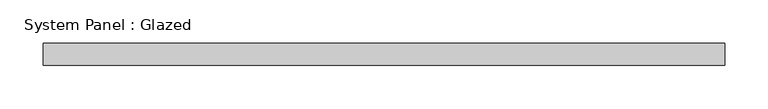
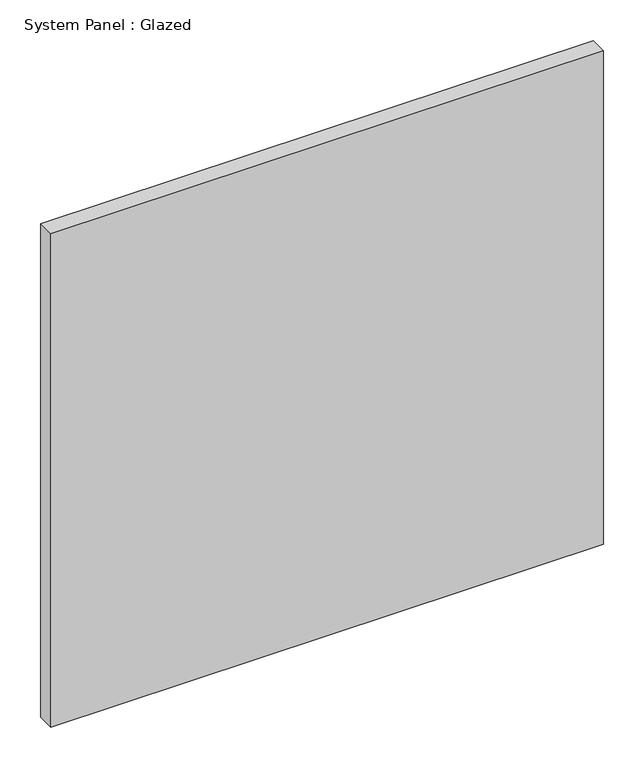
"""IFC4 building model written with IfcOpenShell, lengths in millimetres: plate geometry, System Panel : Glazed."""

from ifc_helpers import new_model, si_unit, origin, origin_with_axes, place, context, project, spatial, polyline, outline, extrude, source, transform, mapped, element, save


def system_panel_glazed_13110453(model_context):
    return source(origin(), model_context, "Body", "SweptSolid", [
        extrude(outline(polyline([(393.7, -44.45), (-393.7, -44.45), (-393.7, -19.05), (393.7, -19.05), (393.7, -44.45)])), origin_with_axes(), (0.0, 0.0, 1.0), 742.95),
    ])


if __name__ == "__main__":
    model = new_model("IFC4")
    model_context = context("Model", 3, world=origin())
    ifc_project = project(units=[si_unit("LENGTHUNIT", "METRE", prefix="MILLI")], contexts=[model_context])
    site = spatial("IfcSite", under=ifc_project)
    building = spatial("IfcBuilding", under=site)
    placement = place(None, origin())
    system_panel_glazed_shape = system_panel_glazed_13110453(model_context)
    element("IfcPlate", 1, ObjectType="System Panel : Glazed", at=placement, inside=building, context=model_context, shape_type="MappedRepresentation", body=[
        mapped(system_panel_glazed_shape, transform((0.0, 0.0, 0.0), x_axis=(1.0, 0.0, 0.0), y_axis=(0.0, 1.0, 0.0), z_axis=(0.0, 0.0, 1.0))),
    ])
    save(model, "model.ifc")
